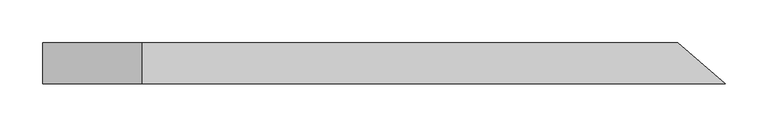
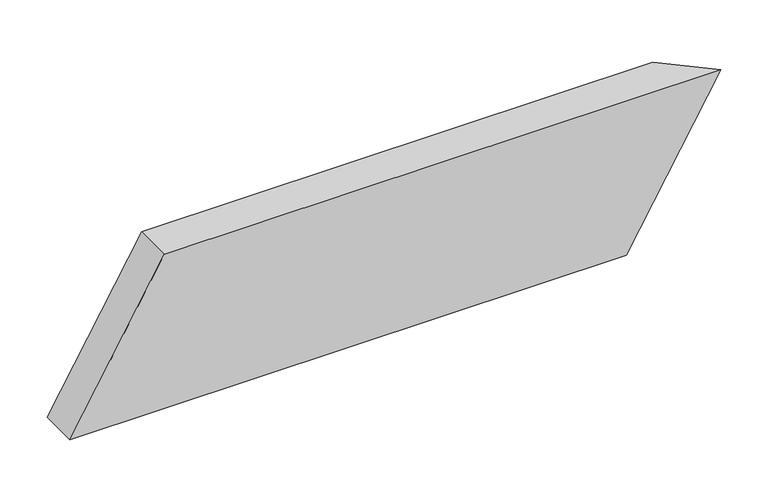
"""IFC4 building model written with IfcOpenShell, lengths in millimetres: beam geometry."""

from ifc_helpers import new_model, si_unit, origin, place, context, project, spatial, faceted_brep, source, transform, mapped, element, save


def beam_276c4e43(model_context):
    return source(origin(), model_context, "Body", "Brep", [
        faceted_brep([(412.2620834, -24.0, 100.0), (-269.0792167, -24.0, 100.0), (-384.5492705, -24.0, -100.0), (296.7920296, -24.0, -100.0), (356.8364576, 24.0, 100.0), (241.3664037, 24.0, -100.0), (-384.5492705, 24.0, -100.0), (-269.0792167, 24.0, 100.0)], [[[0, 1, 2, 3]], [[4, 5, 6, 7]], [[5, 4, 0, 3]], [[6, 5, 3, 2]], [[7, 6, 2, 1]], [[4, 7, 1, 0]]]),
    ])


if __name__ == "__main__":
    model = new_model("IFC4")
    model_context = context("Model", 3, world=origin())
    ifc_project = project(units=[si_unit("LENGTHUNIT", "METRE", prefix="MILLI")], contexts=[model_context])
    site = spatial("IfcSite", under=ifc_project)
    building = spatial("IfcBuilding", under=site)
    placement = place(None, origin())
    beam_shape = beam_276c4e43(model_context)
    element("IfcBeam", 1, at=placement, inside=building, context=model_context, shape_type="MappedRepresentation", body=[
        mapped(beam_shape, transform((0.0, 0.0, 0.0), x_axis=(1.0, 0.0, 0.0), y_axis=(0.0, 1.0, 0.0), z_axis=(0.0, 0.0, 1.0))),
    ])
    save(model, "model.ifc")
